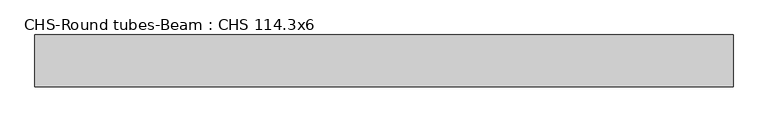
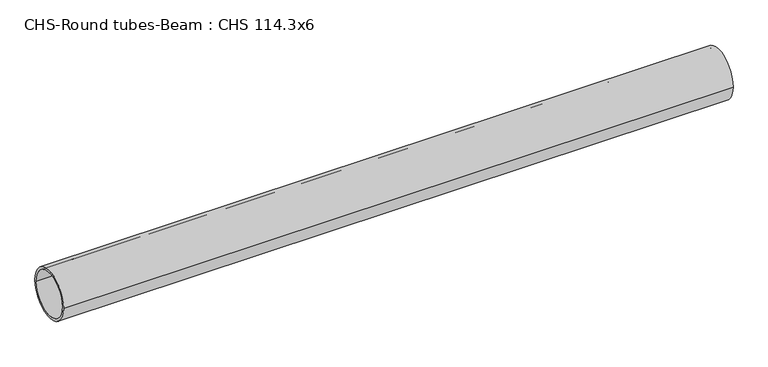
"""IFC4 building model written with IfcOpenShell, lengths in millimetres: beam geometry, CHS-Round tubes-Beam : CHS 114.3x6."""

from ifc_helpers import new_model, si_unit, point, frame, origin, origin_2d, place, context, project, spatial, circle_curve, trimmed, segment, composite_curve, outline, extrude, source, transform, mapped, element, save


def chs_round_tubes_beam_chs_114_3x6_f09912f9(model_context):
    return source(origin(), model_context, "Body", "SweptSolid", [
        extrude(outline(composite_curve([segment(trimmed(circle_curve(origin_2d(), 57.15), [point((57.15, 0.0))], [point((-57.15, 0.0))], False, "CARTESIAN"), True, "CONTINUOUS"), segment(trimmed(circle_curve(origin_2d(), 57.15), [point((-57.15, 0.0))], [point((57.15, 0.0))], False, "CARTESIAN"), True, "CONTINUOUS")], self_intersect=False), holes=[composite_curve([segment(trimmed(circle_curve(origin_2d(), 51.15), [point((51.15, 0.0))], [point((-51.15, 0.0))], True, "CARTESIAN"), True, "CONTINUOUS"), segment(trimmed(circle_curve(origin_2d(), 51.15), [point((-51.15, 0.0))], [point((51.15, 0.0))], True, "CARTESIAN"), True, "CONTINUOUS")], self_intersect=False)]), frame((-756.8220553, 0.0, 0.0), z_axis=(1.0, 0.0, 0.0), x_axis=(0.0, 1.0, 0.0)), (0.0, 0.0, 1.0), 1534.9951785),
    ])


if __name__ == "__main__":
    model = new_model("IFC4")
    model_context = context("Model", 3, world=origin())
    ifc_project = project(units=[si_unit("LENGTHUNIT", "METRE", prefix="MILLI")], contexts=[model_context])
    site = spatial("IfcSite", under=ifc_project)
    building = spatial("IfcBuilding", under=site)
    placement = place(None, origin())
    chs_round_tubes_beam_chs_114_3x6_shape = chs_round_tubes_beam_chs_114_3x6_f09912f9(model_context)
    element("IfcBeam", 1, ObjectType="CHS-Round tubes-Beam : CHS 114.3x6", at=placement, inside=building, context=model_context, shape_type="MappedRepresentation", body=[
        mapped(chs_round_tubes_beam_chs_114_3x6_shape, transform((0.0, 0.0, 0.0), x_axis=(1.0, 0.0, 0.0), y_axis=(0.0, 1.0, 0.0), z_axis=(0.0, 0.0, 1.0))),
    ])
    save(model, "model.ifc")
